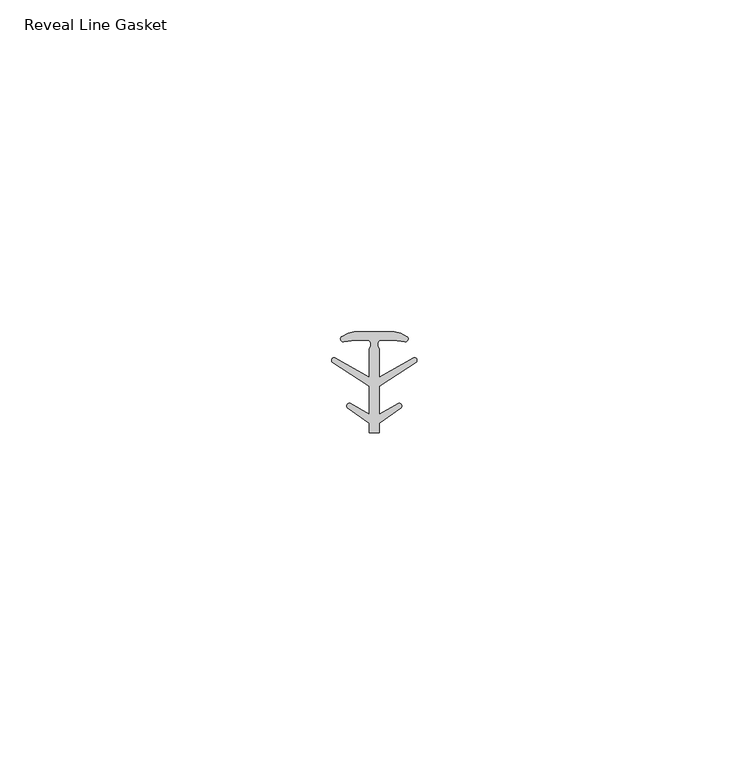
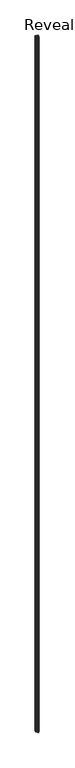
"""IFC4 building model written with IfcOpenShell, lengths in millimetres: proxy geometry, Reveal Line Gasket."""

import ifcopenshell
import ifcopenshell.guid

model = None  # the IFC model being written
_history = None  # IfcOwnerHistory: only IFC2X3 demands one
_inside = {}  # id of a spatial element -> (the spatial element, [elements in it])
_under = {}  # id of a project, library or spatial element -> (it, [spatial elements below it])
_declared = {}  # id of a project -> (the project, [libraries it declares])
_typed = {}  # id of a type object -> (the type object, [elements of that type])
_made_of = {}  # id of a material, layer set ... -> (it, [elements and type objects made of it])


def new_model(schema):
    """Start an empty IFC model of exactly this schema.

    Asked for "IFC4X3", IfcOpenShell would pick the latest addendum, in which some entities
    have other attributes; the version numbers below select the first issue.
    IFC2X3 requires an IfcOwnerHistory on every rooted entity: one is made here for all.
    """
    global model, _history
    if schema == "IFC4X3":
        model = ifcopenshell.file(schema_version=(4, 3, 0, 0))
    else:
        model = ifcopenshell.file(schema=schema)
    _inside.clear()
    _under.clear()
    _declared.clear()
    _typed.clear()
    _made_of.clear()
    _history = None
    if model.schema == "IFC2X3":
        org = make("IfcOrganization", Name="unknown")
        user = make(
            "IfcPersonAndOrganization",
            ThePerson=make("IfcPerson", FamilyName="unknown"),
            TheOrganization=org,
        )
        app = make(
            "IfcApplication",
            ApplicationDeveloper=org,
            Version="unknown",
            ApplicationFullName="unknown",
            ApplicationIdentifier="unknown",
        )
        _history = make(
            "IfcOwnerHistory",
            OwningUser=user,
            OwningApplication=app,
            ChangeAction="ADDED",
            CreationDate=0,
        )
    return model


def make(cls, **values):
    """One entity of the class cls with the attributes given. An attribute that is None is left unset."""
    return model.create_entity(
        cls, **{name: value for name, value in values.items() if value is not None}
    )


def rooted(cls, **values):
    """An entity with a GlobalId (a new one), such as an element, a storey or a relation."""
    return make(cls, GlobalId=ifcopenshell.guid.new(), OwnerHistory=_history, **values)


def si_unit(unit_type, name, prefix=None):
    """IfcSIUnit, for example si_unit("LENGTHUNIT", "METRE", prefix="MILLI")."""
    return make("IfcSIUnit", UnitType=unit_type, Prefix=prefix, Name=name)


def assignment(units):
    """IfcUnitAssignment: the units of a project."""
    return None if units is None else make("IfcUnitAssignment", Units=units)


def point(xyz):
    """IfcCartesianPoint."""
    return None if xyz is None else make("IfcCartesianPoint", Coordinates=xyz)


def direction(xyz):
    """IfcDirection."""
    return None if xyz is None else make("IfcDirection", DirectionRatios=xyz)


def frame(location, z_axis=None, x_axis=None):
    """IfcAxis2Placement3D, a coordinate frame: its origin and axes. An axis left out is left unset."""
    return make(
        "IfcAxis2Placement3D",
        Location=point(location),
        Axis=direction(z_axis),
        RefDirection=direction(x_axis),
    )


def frame_2d(location, x_axis=None):
    """IfcAxis2Placement2D, a coordinate frame in the plane: its origin and x axis."""
    return make(
        "IfcAxis2Placement2D", Location=point(location), RefDirection=direction(x_axis)
    )


def origin():
    """The frame at (0, 0, 0) with its axes left unset."""
    return frame((0.0, 0.0, 0.0))


def place(relative_to, where):
    """IfcLocalPlacement: puts the frame where relative to a parent placement (None: the world)."""
    return make(
        "IfcLocalPlacement", PlacementRelTo=relative_to, RelativePlacement=where
    )


def context(
    kind, dimensions, precision=None, world=None, true_north=None, identifier=None
):
    """IfcGeometricRepresentationContext, for example the 3D "Model" context."""
    return make(
        "IfcGeometricRepresentationContext",
        ContextIdentifier=identifier,
        ContextType=kind,
        CoordinateSpaceDimension=dimensions,
        Precision=precision,
        WorldCoordinateSystem=world,
        TrueNorth=true_north,
    )


def project(units=None, contexts=None):
    """IfcProject with its units and contexts."""
    return rooted(
        "IfcProject",
        Name="project",
        RepresentationContexts=contexts,
        UnitsInContext=assignment(units),
    )


def spatial(cls, under=None, at=None, **own):
    """A site, building, storey or space (cls), placed at a placement, below another one or the project."""
    s = rooted(cls, ObjectPlacement=at, **own)
    if under is not None:
        _under.setdefault(under.id(), (under, []))[1].append(s)
    return s


def polyline(points):
    """IfcPolyline through the points."""
    return make("IfcPolyline", Points=[point(p) for p in points])


def circle_curve(where, radius):
    """IfcCircle in the frame where."""
    return make("IfcCircle", Position=where, Radius=radius)


def trimmed(basis, trim1, trim2, sense, master):
    """IfcTrimmedCurve: the piece of a basis curve between two trims."""
    return make(
        "IfcTrimmedCurve",
        BasisCurve=basis,
        Trim1=trim1,
        Trim2=trim2,
        SenseAgreement=sense,
        MasterRepresentation=master,
    )


def segment(curve, same_sense, transition):
    """IfcCompositeCurveSegment."""
    return make(
        "IfcCompositeCurveSegment",
        Transition=transition,
        SameSense=same_sense,
        ParentCurve=curve,
    )


def composite_curve(segments, self_intersect=None):
    """IfcCompositeCurve: segments joined end to end."""
    return make("IfcCompositeCurve", Segments=segments, SelfIntersect=self_intersect)


def outline(outer, holes=None, kind="AREA"):
    """IfcArbitraryClosedProfileDef: a profile drawn as a closed curve; with holes, ...WithVoids."""
    if holes is None:
        return make("IfcArbitraryClosedProfileDef", ProfileType=kind, OuterCurve=outer)
    return make(
        "IfcArbitraryProfileDefWithVoids",
        ProfileType=kind,
        OuterCurve=outer,
        InnerCurves=holes,
    )


def extrude(swept, where, along, depth):
    """IfcExtrudedAreaSolid: the profile swept, set in the frame where, extruded along a direction by depth."""
    return make(
        "IfcExtrudedAreaSolid",
        SweptArea=swept,
        Position=where,
        ExtrudedDirection=direction(along),
        Depth=depth,
    )


def shape(context_of_items, identifier, shape_type, items):
    """IfcShapeRepresentation: the items that make up one representation, for example the "Body"."""
    return make(
        "IfcShapeRepresentation",
        ContextOfItems=context_of_items,
        RepresentationIdentifier=identifier,
        RepresentationType=shape_type,
        Items=items,
    )


def source(mapping_origin, context_of_items, identifier, shape_type, items):
    """IfcRepresentationMap: a shape defined once, which mapped items show again and again."""
    return make(
        "IfcRepresentationMap",
        MappingOrigin=mapping_origin,
        MappedRepresentation=shape(context_of_items, identifier, shape_type, items),
    )


def transform(
    local_origin,
    x_axis=None,
    y_axis=None,
    z_axis=None,
    scale=None,
    scale2=None,
    scale3=None,
    uniform=True,
):
    """IfcCartesianTransformationOperator3D, or its non-uniform kind. x_axis, y_axis, z_axis: its Axis1, 2, 3."""
    if uniform:
        return make(
            "IfcCartesianTransformationOperator3D",
            Axis1=direction(x_axis),
            Axis2=direction(y_axis),
            LocalOrigin=point(local_origin),
            Scale=scale,
            Axis3=direction(z_axis),
        )
    return make(
        "IfcCartesianTransformationOperator3DnonUniform",
        Axis1=direction(x_axis),
        Axis2=direction(y_axis),
        LocalOrigin=point(local_origin),
        Scale=scale,
        Axis3=direction(z_axis),
        Scale2=scale2,
        Scale3=scale3,
    )


def mapped(mapping_source, mapping_target):
    """IfcMappedItem: shows the shape of a source again, moved by a transform."""
    return make(
        "IfcMappedItem", MappingSource=mapping_source, MappingTarget=mapping_target
    )


def made_of(thing, what):
    """Note that an element or type object is made of a material, layer set ...; save() writes the relation."""
    if what is not None:
        _made_of.setdefault(what.id(), (what, []))[1].append(thing)
    return thing


def element(
    cls,
    number,
    at=None,
    inside=None,
    cuts=None,
    type_object=None,
    material=None,
    context=None,
    identifier="Body",
    shape_type=None,
    held_by="IfcProductDefinitionShape",
    body=None,
    shapes=None,
    **own,
):
    """One element of the class cls, such as IfcWall. Its Tag is "e" and its number.

    at: its placement. inside: the storey or other place that contains it. cuts: it is an
    opening in that element (IfcRelVoidsElement). A single representation is given by context,
    identifier, shape_type and body (its items); several are given by shapes. held_by: the class
    of the entity that holds the representations. save() writes the other relations.
    """
    e = rooted(cls, Tag="e%d" % number, ObjectPlacement=at, **own)
    if body is not None:
        shapes = [shape(context, identifier, shape_type, body)]
    if shapes is not None:
        e.Representation = make(held_by, Representations=shapes)
    if inside is not None:
        _inside.setdefault(inside.id(), (inside, []))[1].append(e)
    if cuts is not None:
        rooted(
            "IfcRelVoidsElement", RelatingBuildingElement=cuts, RelatedOpeningElement=e
        )
    if type_object is not None:
        _typed.setdefault(type_object.id(), (type_object, []))[1].append(e)
    return made_of(e, material)


def aggregate(whole, parts):
    """IfcRelAggregates: a whole, such as a stair, and the parts it consists of."""
    return rooted("IfcRelAggregates", RelatingObject=whole, RelatedObjects=parts)


def save(model, path):
    """Write the relations noted so far, then the file.

    IfcRelAggregates (storeys below a building ...), IfcRelContainedInSpatialStructure (elements
    in a storey), IfcRelDefinesByType, IfcRelAssociatesMaterial and IfcRelDeclares: one each for
    every whole, place, type object, material and project.
    """
    for whole, parts in _under.values():
        aggregate(whole, parts)
    for where, things in _inside.values():
        rooted(
            "IfcRelContainedInSpatialStructure",
            RelatedElements=things,
            RelatingStructure=where,
        )
    for kind, things in _typed.values():
        rooted("IfcRelDefinesByType", RelatedObjects=things, RelatingType=kind)
    for what, things in _made_of.values():
        rooted("IfcRelAssociatesMaterial", RelatedObjects=things, RelatingMaterial=what)
    for by, libraries in _declared.values():
        rooted("IfcRelDeclares", RelatingContext=by, RelatedDefinitions=libraries)
    model.write(path)


def reveal_line_gasket_0f26b66a(model_context):
    return source(origin(), model_context, "Body", "SweptSolid", [
        extrude(outline(composite_curve([segment(polyline([(2.999107, 7.6326998), (3.9545998, 7.4091917), (4.8875754, 6.8813059)]), True, "CONTINUOUS"), segment(trimmed(circle_curve(frame_2d((4.6855864, 6.5243141)), 0.4101739), [point((4.8875754, 6.8813059))], [point((4.5932418, 6.1246704))], False, "CARTESIAN"), True, "CONTINUOUS"), segment(polyline([(4.5932418, 6.1246704), (2.8970156, 6.3626997), (0.8645598, 6.3626997)]), True, "CONTINUOUS"), segment(trimmed(circle_curve(frame_2d((1.2810328, 5.6959605)), 0.786124), [point((0.8645598, 6.3626997))], [point((0.7769821, 5.0926996))], True, "CARTESIAN"), True, "CONTINUOUS"), segment(polyline([(0.7769821, 5.0926996), (0.7769821, 0.7492996), (5.9386365, 3.7293824)]), True, "CONTINUOUS"), segment(trimmed(circle_curve(frame_2d((6.0040832, 3.3132479)), 0.4212495), [point((5.9386365, 3.7293824))], [point((6.3317429, 3.0485022))], False, "CARTESIAN"), True, "CONTINUOUS"), segment(polyline([(6.3317429, 3.0485022), (0.7769821, -0.5742594), (0.7769821, -4.8262978), (3.6526367, -3.1660374)]), True, "CONTINUOUS"), segment(trimmed(circle_curve(frame_2d((3.7109925, -3.5978728)), 0.4357605), [point((3.6526367, -3.1660374))], [point((4.0557951, -3.864328))], False, "CARTESIAN"), True, "CONTINUOUS"), segment(polyline([(4.0557951, -3.864328), (0.7769821, -6.1944059), (0.7769821, -7.6326998), (-0.778768, -7.6326998), (-0.778768, -6.1944059), (-4.0575811, -3.864328)]), True, "CONTINUOUS"), segment(trimmed(circle_curve(frame_2d((-3.7127785, -3.5978728)), 0.4357605), [point((-4.0575811, -3.864328))], [point((-3.6544226, -3.1660374))], False, "CARTESIAN"), True, "CONTINUOUS"), segment(polyline([(-3.6544226, -3.1660374), (-0.778768, -4.8262978), (-0.778768, -0.5742594), (-6.3335288, 3.0485022)]), True, "CONTINUOUS"), segment(trimmed(circle_curve(frame_2d((-6.0058691, 3.3132479)), 0.4212495), [point((-6.3335288, 3.0485022))], [point((-5.9404224, 3.7293824))], False, "CARTESIAN"), True, "CONTINUOUS"), segment(polyline([(-5.9404224, 3.7293824), (-0.778768, 0.7492996), (-0.778768, 5.0926996)]), True, "CONTINUOUS"), segment(trimmed(circle_curve(frame_2d((-1.2828188, 5.6959605)), 0.786124), [point((-0.778768, 5.0926996))], [point((-0.8663457, 6.3626997))], True, "CARTESIAN"), True, "CONTINUOUS"), segment(polyline([(-0.8663457, 6.3626997), (-2.8988015, 6.3626997), (-4.5950277, 6.1246704)]), True, "CONTINUOUS"), segment(trimmed(circle_curve(frame_2d((-4.6873723, 6.5243141)), 0.4101739), [point((-4.5950277, 6.1246704))], [point((-4.8893614, 6.8813059))], False, "CARTESIAN"), True, "CONTINUOUS"), segment(polyline([(-4.8893614, 6.8813059), (-3.9563857, 7.4091917), (-3.000893, 7.6326998), (2.999107, 7.6326998)]), True, "CONTINUOUS")], self_intersect=False)), frame((0.0, 0.0, 84.836), z_axis=(0.0, 0.0, 1.0), x_axis=(1.0, 0.0, 0.0)), (0.0, 0.0, 1.0), 2953.6625409),
    ])


if __name__ == "__main__":
    model = new_model("IFC4")
    model_context = context("Model", 3, world=origin())
    ifc_project = project(units=[si_unit("LENGTHUNIT", "METRE", prefix="MILLI")], contexts=[model_context])
    site = spatial("IfcSite", under=ifc_project)
    building = spatial("IfcBuilding", under=site)
    placement = place(None, origin())
    reveal_line_gasket_shape = reveal_line_gasket_0f26b66a(model_context)
    element("IfcBuildingElementProxy", 1, Name="Reveal Line Gasket", ObjectType="Reveal Line Gasket", at=placement, inside=building, context=model_context, shape_type="MappedRepresentation", body=[
        mapped(reveal_line_gasket_shape, transform((0.0, 0.0, 0.0), x_axis=(1.0, 0.0, 0.0), y_axis=(0.0, 1.0, 0.0), z_axis=(0.0, 0.0, 1.0))),
    ])
    save(model, "model.ifc")
